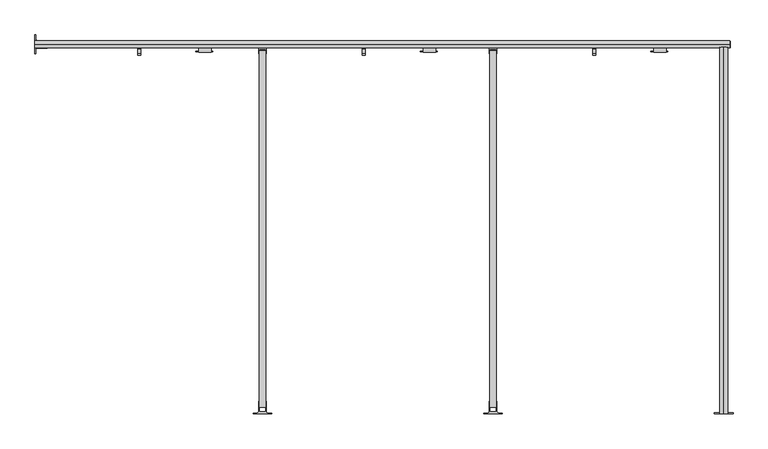
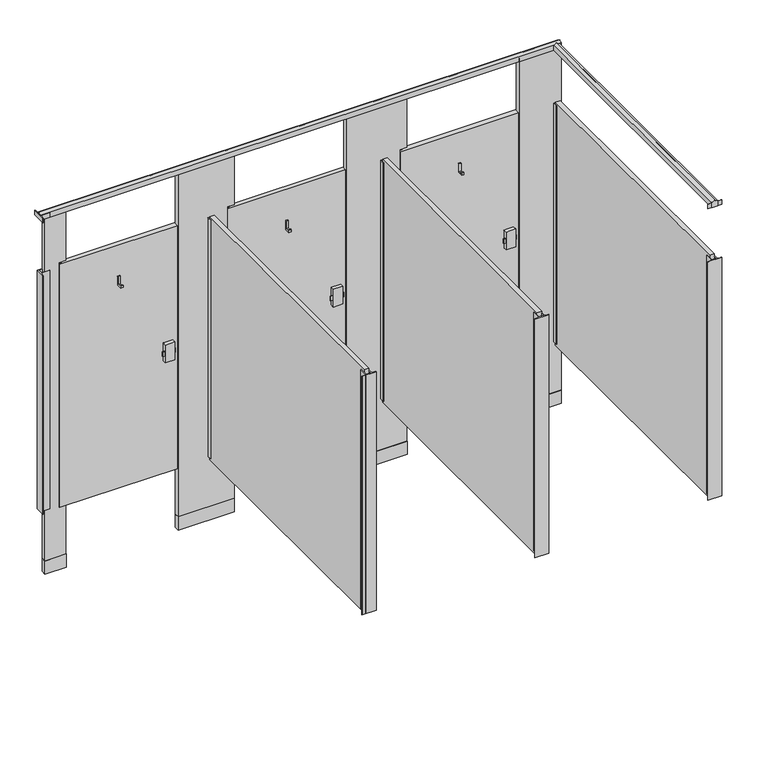
"""IFC4 building model written with IfcOpenShell, lengths in millimetres: proxy geometry."""

from ifc_helpers import new_model, si_unit, point, frame, frame_2d, origin, origin_with_axes, place, context, project, spatial, polyline, circle_curve, trimmed, segment, composite_curve, outline, extrude, source, transform, mapped, element, save


def specialty_equipment_18b5c3ad(model_context):
    return source(origin(), model_context, "Body", "SweptSolid", [
        extrude(outline(composite_curve([segment(trimmed(circle_curve(frame_2d((1069.0354547, 1501.775)), 4.1602747), [point((1073.1957294, 1501.775))], [point((1064.87518, 1501.775))], False, "CARTESIAN"), True, "CONTINUOUS"), segment(trimmed(circle_curve(frame_2d((1069.0354547, 1501.775)), 4.1602747), [point((1064.87518, 1501.775))], [point((1073.1957294, 1501.775))], False, "CARTESIAN"), True, "CONTINUOUS")], self_intersect=False)), frame((0.0, 0.0, 1752.6), z_axis=(0.0, 0.0, 1.0), x_axis=(1.0, 0.0, 0.0)), (0.0, 0.0, 1.0), 12.7),
        extrude(outline(polyline([(1677.4932592, 1474.4550203), (1677.4932592, 1471.4824847), (1607.4733709, 1471.4824847), (1607.4733709, 1474.4550203), (1677.4932592, 1474.4550203)])), frame((0.0, 0.0, 1041.4), z_axis=(0.0, 0.0, 1.0), x_axis=(1.0, 0.0, 0.0)), (0.0, 0.0, 1.0), 25.4),
        extrude(outline(polyline([(1489.0741724, 1525.7003365), (1457.3241724, 1525.7003365), (1457.3241724, 1538.4003365), (1463.6741724, 1538.4003365), (1463.6741724, 1532.0503365), (1482.7241724, 1532.0503365), (1482.7241724, 1576.5003365), (1489.0741724, 1576.5003365), (1489.0741724, 1525.7003365)])), frame((1371.6002547, 0.0, 0.0), z_axis=(1.0, 0.0, 0.0), x_axis=(0.0, 1.0, 0.0)), (0.0, 0.0, 1.0), 12.7),
        extrude(outline(polyline([(1671.6250547, 1489.0741724), (1671.6250547, 1468.9965532), (1620.1733709, 1468.9965532), (1620.1733709, 1489.0741724), (1671.6250547, 1489.0741724)])), frame((0.0, 0.0, 1003.3), z_axis=(0.0, 0.0, 1.0), x_axis=(1.0, 0.0, 0.0)), (0.0, 0.0, 1.0), 101.6),
        extrude(outline(composite_curve([segment(trimmed(circle_curve(frame_2d((154.6354547, 1501.775)), 4.1602747), [point((158.7957294, 1501.775))], [point((150.47518, 1501.775))], False, "CARTESIAN"), True, "CONTINUOUS"), segment(trimmed(circle_curve(frame_2d((154.6354547, 1501.775)), 4.1602747), [point((150.47518, 1501.775))], [point((158.7957294, 1501.775))], False, "CARTESIAN"), True, "CONTINUOUS")], self_intersect=False)), frame((0.0, 0.0, 1752.6), z_axis=(0.0, 0.0, 1.0), x_axis=(1.0, 0.0, 0.0)), (0.0, 0.0, 1.0), 12.7),
        extrude(outline(polyline([(763.0932592, 1474.4550203), (763.0932592, 1471.4824847), (693.0733709, 1471.4824847), (693.0733709, 1474.4550203), (763.0932592, 1474.4550203)])), frame((0.0, 0.0, 1041.4), z_axis=(0.0, 0.0, 1.0), x_axis=(1.0, 0.0, 0.0)), (0.0, 0.0, 1.0), 25.4),
        extrude(outline(polyline([(1489.0741724, 1525.7003365), (1457.3241724, 1525.7003365), (1457.3241724, 1538.4003365), (1463.6741724, 1538.4003365), (1463.6741724, 1532.0503365), (1482.7241724, 1532.0503365), (1482.7241724, 1576.5003365), (1489.0741724, 1576.5003365), (1489.0741724, 1525.7003365)])), frame((457.2002547, 0.0, 0.0), z_axis=(1.0, 0.0, 0.0), x_axis=(0.0, 1.0, 0.0)), (0.0, 0.0, 1.0), 12.7),
        extrude(outline(polyline([(757.2250547, 1489.0741724), (757.2250547, 1468.9965532), (705.7733709, 1468.9965532), (705.7733709, 1489.0741724), (757.2250547, 1489.0741724)])), frame((0.0, 0.0, 1003.3), z_axis=(0.0, 0.0, 1.0), x_axis=(1.0, 0.0, 0.0)), (0.0, 0.0, 1.0), 101.6),
        extrude(outline(composite_curve([segment(trimmed(circle_curve(frame_2d((2008.8354547, 1501.775)), 4.1602747), [point((2012.9957294, 1501.775))], [point((2004.67518, 1501.775))], False, "CARTESIAN"), True, "CONTINUOUS"), segment(trimmed(circle_curve(frame_2d((2008.8354547, 1501.775)), 4.1602747), [point((2004.67518, 1501.775))], [point((2012.9957294, 1501.775))], False, "CARTESIAN"), True, "CONTINUOUS")], self_intersect=False)), frame((0.0, 0.0, 1752.6), z_axis=(0.0, 0.0, 1.0), x_axis=(1.0, 0.0, 0.0)), (0.0, 0.0, 1.0), 12.7),
        extrude(outline(polyline([(2617.2932592, 1474.4550203), (2617.2932592, 1471.4824847), (2547.2733709, 1471.4824847), (2547.2733709, 1474.4550203), (2617.2932592, 1474.4550203)])), frame((0.0, 0.0, 1041.4), z_axis=(0.0, 0.0, 1.0), x_axis=(1.0, 0.0, 0.0)), (0.0, 0.0, 1.0), 25.4),
        extrude(outline(polyline([(1489.0741724, 1525.7003365), (1457.3241724, 1525.7003365), (1457.3241724, 1538.4003365), (1463.6741724, 1538.4003365), (1463.6741724, 1532.0503365), (1482.7241724, 1532.0503365), (1482.7241724, 1576.5003365), (1489.0741724, 1576.5003365), (1489.0741724, 1525.7003365)])), frame((2311.4002547, 0.0, 0.0), z_axis=(1.0, 0.0, 0.0), x_axis=(0.0, 1.0, 0.0)), (0.0, 0.0, 1.0), 12.7),
        extrude(outline(polyline([(2611.4250547, 1489.0741724), (2611.4250547, 1468.9965532), (2559.9733709, 1468.9965532), (2559.9733709, 1489.0741724), (2611.4250547, 1489.0741724)])), frame((0.0, 0.0, 1003.3), z_axis=(0.0, 0.0, 1.0), x_axis=(1.0, 0.0, 0.0)), (0.0, 0.0, 1.0), 101.6),
        extrude(outline(composite_curve([segment(polyline([(2044.7, 2860.1672547), (2073.275, 2860.1672547)]), True, "CONTINUOUS"), segment(trimmed(circle_curve(frame_2d((2087.2314185, 2858.1824645)), 14.0968439), [point((2073.275, 2860.1672547))], [point((2082.8, 2844.8002547))], True, "CARTESIAN"), True, "CONTINUOUS"), segment(trimmed(circle_curve(frame_2d((2087.2314185, 2831.4180449)), 14.0968439), [point((2082.8, 2844.8002547))], [point((2073.275, 2829.4332547))], True, "CARTESIAN"), True, "CONTINUOUS"), segment(polyline([(2073.275, 2829.4332547), (2044.7, 2829.4332547), (2044.7, 2860.1672547)]), True, "CONTINUOUS")], self_intersect=False)), frame((0.0, -3.175, 0.0), z_axis=(0.0, 1.0, 0.0), x_axis=(0.0, 0.0, 1.0)), (0.0, 0.0, 1.0), 1492.25),
        extrude(outline(composite_curve([segment(polyline([(2882.9002547, -3.175), (2806.7002547, -3.175), (2806.7002547, -0.635), (2823.2102547, -0.635)]), True, "CONTINUOUS"), segment(trimmed(circle_curve(frame_2d((2823.2102547, 5.715)), 6.35), [point((2823.2102547, -0.635))], [point((2829.5602547, 5.715))], True, "CARTESIAN"), True, "CONTINUOUS"), segment(polyline([(2829.5602547, 5.715), (2829.5602547, 47.625), (2832.1002547, 47.625), (2832.1002547, 3.7728188), (2857.5002547, 3.7728188), (2857.5002547, 47.625), (2860.0402547, 47.625), (2860.0402547, 5.715)]), True, "CONTINUOUS"), segment(trimmed(circle_curve(frame_2d((2866.3902547, 5.715)), 6.35), [point((2860.0402547, 5.715))], [point((2866.3902547, -0.635))], True, "CARTESIAN"), True, "CONTINUOUS"), segment(polyline([(2866.3902547, -0.635), (2882.9002547, -0.635), (2882.9002547, -3.175)]), True, "CONTINUOUS")], self_intersect=False)), frame((0.0, 0.0, 2044.7), z_axis=(0.0, 0.0, 1.0), x_axis=(1.0, 0.0, 0.0)), (0.0, 0.0, 1.0), 25.4),
        extrude(outline(composite_curve([segment(polyline([(38.1002547, 1463.675), (38.1002547, 1539.875), (40.6402547, 1539.875), (40.6402547, 1523.365)]), True, "CONTINUOUS"), segment(trimmed(circle_curve(frame_2d((46.9902547, 1523.365)), 6.35), [point((40.6402547, 1523.365))], [point((46.9902547, 1517.015))], True, "CARTESIAN"), True, "CONTINUOUS"), segment(polyline([(46.9902547, 1517.015), (88.9002547, 1517.015), (88.9002547, 1514.475), (45.0480735, 1514.475), (45.0480735, 1489.075), (88.9002547, 1489.075), (88.9002547, 1486.535), (46.9902547, 1486.535)]), True, "CONTINUOUS"), segment(trimmed(circle_curve(frame_2d((46.9902547, 1480.185)), 6.35), [point((46.9902547, 1486.535))], [point((40.6402547, 1480.185))], True, "CARTESIAN"), True, "CONTINUOUS"), segment(polyline([(40.6402547, 1480.185), (40.6402547, 1463.675), (38.1002547, 1463.675)]), True, "CONTINUOUS")], self_intersect=False)), frame((0.0, 0.0, 2044.7), z_axis=(0.0, 0.0, 1.0), x_axis=(1.0, 0.0, 0.0)), (0.0, 0.0, 1.0), 25.4),
        extrude(outline(polyline([(2829.5602547, 1489.075), (2860.0402547, 1489.075), (2860.0402547, 1463.675), (2857.5002547, 1463.675), (2857.5002547, 1482.1271812), (2832.1002547, 1482.1271812), (2832.1002547, 1463.675), (2829.5602547, 1463.675), (2829.5602547, 1489.075)])), frame((0.0, 0.0, 368.3), z_axis=(0.0, 0.0, 1.0), x_axis=(1.0, 0.0, 0.0)), (0.0, 0.0, 1.0), 1371.6),
        extrude(outline(composite_curve([segment(polyline([(2882.9002547, -3.175), (2806.7002547, -3.175), (2806.7002547, -0.635), (2823.2102547, -0.635)]), True, "CONTINUOUS"), segment(trimmed(circle_curve(frame_2d((2823.2102547, 5.715)), 6.35), [point((2823.2102547, -0.635))], [point((2829.5602547, 5.715))], True, "CARTESIAN"), True, "CONTINUOUS"), segment(polyline([(2829.5602547, 5.715), (2829.5602547, 47.625), (2832.1002547, 47.625), (2832.1002547, 3.7728188), (2857.5002547, 3.7728188), (2857.5002547, 47.625), (2860.0402547, 47.625), (2860.0402547, 5.715)]), True, "CONTINUOUS"), segment(trimmed(circle_curve(frame_2d((2866.3902547, 5.715)), 6.35), [point((2860.0402547, 5.715))], [point((2866.3902547, -0.635))], True, "CARTESIAN"), True, "CONTINUOUS"), segment(polyline([(2866.3902547, -0.635), (2882.9002547, -0.635), (2882.9002547, -3.175)]), True, "CONTINUOUS")], self_intersect=False)), frame((0.0, 0.0, 368.3), z_axis=(0.0, 0.0, 1.0), x_axis=(1.0, 0.0, 0.0)), (0.0, 0.0, 1.0), 1371.6),
        extrude(outline(polyline([(1889.7602547, 1489.075), (1920.2402547, 1489.075), (1920.2402547, 1463.675), (1917.7002547, 1463.675), (1917.7002547, 1482.1271812), (1892.3002547, 1482.1271812), (1892.3002547, 1463.675), (1889.7602547, 1463.675), (1889.7602547, 1489.075)])), frame((0.0, 0.0, 368.3), z_axis=(0.0, 0.0, 1.0), x_axis=(1.0, 0.0, 0.0)), (0.0, 0.0, 1.0), 1371.6),
        extrude(outline(composite_curve([segment(polyline([(1943.1002547, -3.175), (1866.9002547, -3.175), (1866.9002547, -0.635), (1883.4102547, -0.635)]), True, "CONTINUOUS"), segment(trimmed(circle_curve(frame_2d((1883.4102547, 5.715)), 6.35), [point((1883.4102547, -0.635))], [point((1889.7602547, 5.715))], True, "CARTESIAN"), True, "CONTINUOUS"), segment(polyline([(1889.7602547, 5.715), (1889.7602547, 47.625), (1892.3002547, 47.625), (1892.3002547, 3.7728188), (1917.7002547, 3.7728188), (1917.7002547, 47.625), (1920.2402547, 47.625), (1920.2402547, 5.715)]), True, "CONTINUOUS"), segment(trimmed(circle_curve(frame_2d((1926.5902547, 5.715)), 6.35), [point((1920.2402547, 5.715))], [point((1926.5902547, -0.635))], True, "CARTESIAN"), True, "CONTINUOUS"), segment(polyline([(1926.5902547, -0.635), (1943.1002547, -0.635), (1943.1002547, -3.175)]), True, "CONTINUOUS")], self_intersect=False)), frame((0.0, 0.0, 368.3), z_axis=(0.0, 0.0, 1.0), x_axis=(1.0, 0.0, 0.0)), (0.0, 0.0, 1.0), 1371.6),
        extrude(outline(composite_curve([segment(polyline([(38.1002547, 1463.675), (38.1002547, 1517.015), (88.9002547, 1517.015), (88.9002547, 1514.475), (45.0480735, 1514.475), (45.0480735, 1489.075), (88.9002547, 1489.075), (88.9002547, 1486.535), (46.9902547, 1486.535)]), True, "CONTINUOUS"), segment(trimmed(circle_curve(frame_2d((46.9902547, 1480.185)), 6.35), [point((46.9902547, 1486.535))], [point((40.6402547, 1480.185))], True, "CARTESIAN"), True, "CONTINUOUS"), segment(polyline([(40.6402547, 1480.185), (40.6402547, 1463.675), (38.1002547, 1463.675)]), True, "CONTINUOUS")], self_intersect=False)), frame((0.0, 0.0, 368.3), z_axis=(0.0, 0.0, 1.0), x_axis=(1.0, 0.0, 0.0)), (0.0, 0.0, 1.0), 1371.6),
        extrude(outline(polyline([(949.9602547, 1489.075), (980.4402547, 1489.075), (980.4402547, 1463.675), (977.9002547, 1463.675), (977.9002547, 1482.1271812), (952.5002547, 1482.1271812), (952.5002547, 1463.675), (949.9602547, 1463.675), (949.9602547, 1489.075)])), frame((0.0, 0.0, 368.3), z_axis=(0.0, 0.0, 1.0), x_axis=(1.0, 0.0, 0.0)), (0.0, 0.0, 1.0), 1371.6),
        extrude(outline(composite_curve([segment(polyline([(1003.3002547, -3.175), (927.1002547, -3.175), (927.1002547, -0.635), (943.6102547, -0.635)]), True, "CONTINUOUS"), segment(trimmed(circle_curve(frame_2d((943.6102547, 5.715)), 6.35), [point((943.6102547, -0.635))], [point((949.9602547, 5.715))], True, "CARTESIAN"), True, "CONTINUOUS"), segment(polyline([(949.9602547, 5.715), (949.9602547, 47.625), (952.5002547, 47.625), (952.5002547, 3.7728188), (977.9002547, 3.7728188), (977.9002547, 47.625), (980.4402547, 47.625), (980.4402547, 5.715)]), True, "CONTINUOUS"), segment(trimmed(circle_curve(frame_2d((986.7902547, 5.715)), 6.35), [point((980.4402547, 5.715))], [point((986.7902547, -0.635))], True, "CARTESIAN"), True, "CONTINUOUS"), segment(polyline([(986.7902547, -0.635), (1003.3002547, -0.635), (1003.3002547, -3.175)]), True, "CONTINUOUS")], self_intersect=False)), frame((0.0, 0.0, 368.3), z_axis=(0.0, 0.0, 1.0), x_axis=(1.0, 0.0, 0.0)), (0.0, 0.0, 1.0), 1371.6),
        extrude(outline(polyline([(62.5858547, 1488.1606), (62.5858547, 1515.3894), (178.7146547, 1515.3894), (178.7146547, 1488.1606), (62.5858547, 1488.1606)])), origin_with_axes(), (0.0, 0.0, 1.0), 76.2),
        extrude(outline(polyline([(1700.8858547, 1488.1606), (1700.8858547, 1515.3894), (2032.9146547, 1515.3894), (2032.9146547, 1488.1606), (1700.8858547, 1488.1606)])), origin_with_axes(), (0.0, 0.0, 1.0), 76.2),
        extrude(outline(polyline([(786.4858547, 1488.1606), (786.4858547, 1515.3894), (1093.1146547, 1515.3894), (1093.1146547, 1488.1606), (786.4858547, 1488.1606)])), origin_with_axes(), (0.0, 0.0, 1.0), 76.2),
        extrude(outline(polyline([(2640.6858547, 1488.1606), (2640.6858547, 1515.3894), (2871.1146547, 1515.3894), (2871.1146547, 1488.1606), (2640.6858547, 1488.1606)])), origin_with_axes(), (0.0, 0.0, 1.0), 76.2),
        extrude(outline(polyline([(1697.0250547, 1514.475), (1697.0250547, 1489.075), (1058.8754547, 1489.075), (1058.8754547, 1514.475), (1697.0250547, 1514.475)])), frame((0.0, 0.0, 355.6), z_axis=(0.0, 0.0, 1.0), x_axis=(1.0, 0.0, 0.0)), (0.0, 0.0, 1.0), 1397.0),
        extrude(outline(polyline([(2636.8250547, 1514.475), (2636.8250547, 1489.075), (1998.6754547, 1489.075), (1998.6754547, 1514.475), (2636.8250547, 1514.475)])), frame((0.0, 0.0, 355.6), z_axis=(0.0, 0.0, 1.0), x_axis=(1.0, 0.0, 0.0)), (0.0, 0.0, 1.0), 1397.0),
        extrude(outline(polyline([(782.6250547, 1514.475), (782.6250547, 1489.075), (144.4754547, 1489.075), (144.4754547, 1514.475), (782.6250547, 1514.475)])), frame((0.0, 0.0, 355.6), z_axis=(0.0, 0.0, 1.0), x_axis=(1.0, 0.0, 0.0)), (0.0, 0.0, 1.0), 1397.0),
        extrude(outline(polyline([(2641.6002547, 1489.075), (2641.6002547, 1514.475), (2870.2002547, 1514.475), (2870.2002547, 1489.075), (2641.6002547, 1489.075)])), origin_with_axes(), (0.0, 0.0, 1.0), 2063.75),
        extrude(outline(polyline([(2063.75, 2032.0002547), (2063.75, 1701.8002547), (0.0, 1701.8002547), (0.0, 2032.0002547), (355.6, 2032.0002547), (355.6, 1993.9002547), (1765.3, 1993.9002547), (1765.3, 2032.0002547), (2063.75, 2032.0002547)])), frame((0.0, 1489.075, 0.0), z_axis=(0.0, 1.0, 0.0), x_axis=(0.0, 0.0, 1.0)), (0.0, 0.0, 1.0), 25.4),
        extrude(outline(polyline([(0.0, 1092.2002547), (355.6, 1092.2002547), (355.6, 1054.1002547), (1765.3, 1054.1002547), (1765.3, 1092.2002547), (2063.75, 1092.2002547), (2063.75, 787.4002547), (0.0, 787.4002547), (0.0, 1092.2002547)])), frame((0.0, 1489.075, 0.0), z_axis=(0.0, 1.0, 0.0), x_axis=(0.0, 0.0, 1.0)), (0.0, 0.0, 1.0), 25.4),
        extrude(outline(polyline([(2063.75, 177.8002547), (2063.75, 63.5002547), (0.0, 63.5002547), (0.0, 177.8002547), (355.6, 177.8002547), (355.6, 139.7002547), (1765.3, 139.7002547), (1765.3, 177.8002547), (2063.75, 177.8002547)])), frame((0.0, 1489.075, 0.0), z_axis=(0.0, 1.0, 0.0), x_axis=(0.0, 0.0, 1.0)), (0.0, 0.0, 1.0), 25.4),
        extrude(outline(polyline([(2832.1002547, 1476.375), (2857.5002547, 1476.375), (2857.5002547, 22.225), (2832.1002547, 22.225), (2832.1002547, 1476.375)])), frame((0.0, 0.0, 355.6), z_axis=(0.0, 0.0, 1.0), x_axis=(1.0, 0.0, 0.0)), (0.0, 0.0, 1.0), 1397.0),
        extrude(outline(polyline([(1892.3002547, 1476.375), (1917.7002547, 1476.375), (1917.7002547, 22.225), (1892.3002547, 22.225), (1892.3002547, 1476.375)])), frame((0.0, 0.0, 355.6), z_axis=(0.0, 0.0, 1.0), x_axis=(1.0, 0.0, 0.0)), (0.0, 0.0, 1.0), 1397.0),
        extrude(outline(polyline([(952.5002547, 1476.375), (977.9002547, 1476.375), (977.9002547, 22.225), (952.5002547, 22.225), (952.5002547, 1476.375)])), frame((0.0, 0.0, 355.6), z_axis=(0.0, 0.0, 1.0), x_axis=(1.0, 0.0, 0.0)), (0.0, 0.0, 1.0), 1397.0),
        extrude(outline(composite_curve([segment(polyline([(1516.761, 2044.7), (1486.789, 2044.7), (1486.789, 2073.275)]), True, "CONTINUOUS"), segment(trimmed(circle_curve(frame_2d((1485.2410036, 2092.262001)), 19.05), [point((1486.789, 2073.275))], [point((1501.775, 2082.8))], True, "CARTESIAN"), True, "CONTINUOUS"), segment(trimmed(circle_curve(frame_2d((1518.3089964, 2092.262001)), 19.05), [point((1501.775, 2082.8))], [point((1516.761, 2073.275))], True, "CARTESIAN"), True, "CONTINUOUS"), segment(polyline([(1516.761, 2073.275), (1516.761, 2044.7)]), True, "CONTINUOUS")], self_intersect=False)), frame((38.1002547, 0.0, 0.0), z_axis=(1.0, 0.0, 0.0), x_axis=(0.0, 1.0, 0.0)), (0.0, 0.0, 1.0), 2832.1),
    ])


if __name__ == "__main__":
    model = new_model("IFC4")
    model_context = context("Model", 3, world=origin())
    ifc_project = project(units=[si_unit("LENGTHUNIT", "METRE", prefix="MILLI")], contexts=[model_context])
    site = spatial("IfcSite", under=ifc_project)
    building = spatial("IfcBuilding", under=site)
    placement = place(None, origin())
    specialty_equipment_shape = specialty_equipment_18b5c3ad(model_context)
    element("IfcBuildingElementProxy", 1, Name="Specialty Equipment", at=placement, inside=building, context=model_context, shape_type="MappedRepresentation", body=[
        mapped(specialty_equipment_shape, transform((0.0, 0.0, 0.0), x_axis=(1.0, 0.0, 0.0), y_axis=(0.0, 1.0, 0.0), z_axis=(0.0, 0.0, 1.0))),
    ])
    save(model, "model.ifc")
